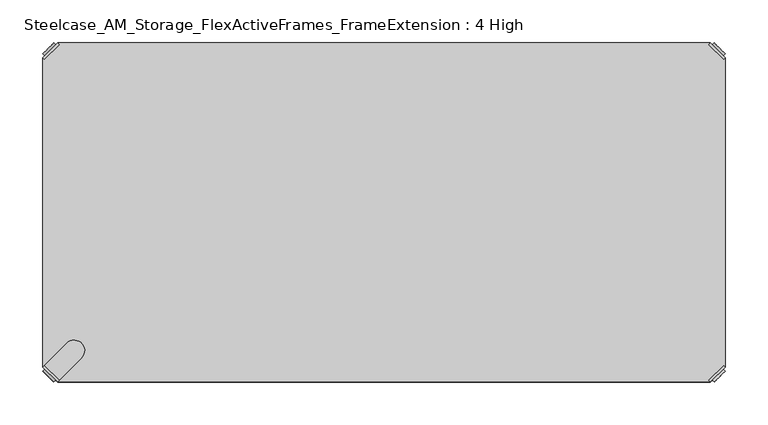
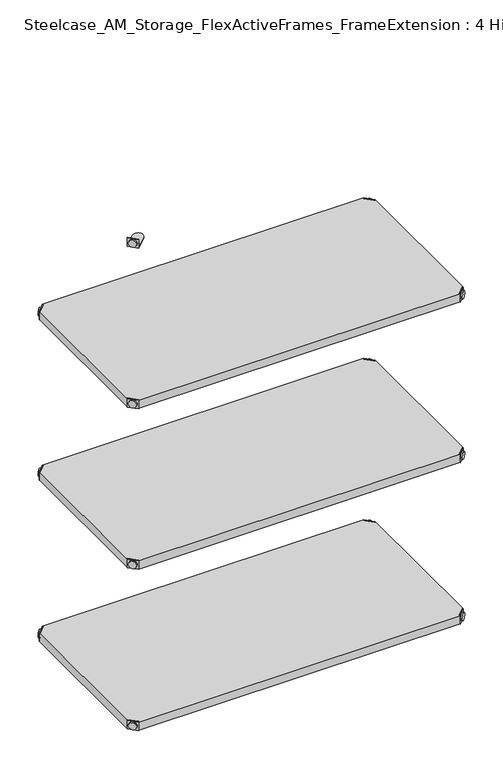
"""IFC4 building model written with IfcOpenShell, lengths in millimetres: furniture geometry, Steelcase_AM_Storage_FlexActiveFrames_FrameExtension : 4 High."""

from ifc_helpers import new_model, si_unit, frame, origin, place, context, project, spatial, polyline, circle_curve, outline, extrude, source, transform, mapped, element, save
from ifc_brep_helpers import plane_surface, cylinder_surface, advanced_brep


def steelcase_am_storage_flexactiveframes_frameextension_4_high_68e53432(model_context):
    return source(origin(), model_context, "Body", "SolidModel", [
        advanced_brep(
        [(2.54, -380.2870969, 1324.61), (19.7629031, -397.51, 1324.61), (21.5589544, -395.7139488, 1324.61), (4.3360512, -378.4910456, 1324.61), (2.54, -380.2870969, 1303.274), (19.7629031, -397.51, 1303.274), (4.8652723, -382.6123691, 1314.45), (17.4376309, -395.1847277, 1314.45), (30.2920522, -352.5350447, 1304.29), (4.3360512, -378.4910456, 1304.29), (21.5589544, -395.7139488, 1304.29), (47.5149553, -369.7579478, 1304.29), (30.2920522, -352.5350447, 1303.274), (47.5149553, -369.7579478, 1303.274), (15.1227513, -397.4996073, 1314.45), (2.5503927, -384.9272487, 1314.45)],
        [
            (0, 1),
            (1, 2),
            (2, 3),
            (3, 0),
            (0, 4),
            (4, 5),
            (5, 1),
            (6, 7, circle_curve(frame((11.1514516, -388.8985484, 1314.45), z_axis=(0.7071067811865446, 0.7071067811865505, 0.0), x_axis=(-0.7071067811865505, 0.7071067811865446, 0.0)), 8.89)),
            (7, 6, circle_curve(frame((11.1514516, -388.8985484, 1314.45), z_axis=(0.7071067811865446, 0.7071067811865505, 0.0), x_axis=(-0.7071067811865505, 0.7071067811865446, 0.0)), 8.89)),
            (8, 9),
            (9, 10),
            (10, 11),
            (11, 8, circle_curve(frame((38.9035037, -361.1464963, 1304.29), z_axis=(0.0, 0.0, 1.0), x_axis=(1.0, 0.0, 0.0)), 12.1784316)),
            (12, 13, circle_curve(frame((38.9035037, -361.1464963, 1303.274), z_axis=(0.0, 0.0, -1.0), x_axis=(1.0, 0.0, 0.0)), 12.1784316)),
            (13, 5),
            (4, 12),
            (14, 15, circle_curve(frame((8.836572, -391.213428, 1314.45), z_axis=(-0.7071067811865446, -0.7071067811865505, 0.0), x_axis=(-0.7071067811865505, 0.7071067811865446, 0.0)), 8.89)),
            (15, 14, circle_curve(frame((8.836572, -391.213428, 1314.45), z_axis=(-0.7071067811865446, -0.7071067811865505, 0.0), x_axis=(-0.7071067811865505, 0.7071067811865446, 0.0)), 8.89)),
            (15, 6),
            (7, 14),
            (2, 10),
            (9, 3),
            (11, 13),
            (12, 8),
        ],
        [
            plane_surface(frame((-19.6579872, -402.485084, 1324.61), z_axis=(0.0, 0.0, 1.0000000000000002), x_axis=(0.7071067811865436, 0.7071067811865516, 0.0))),
            plane_surface(frame((19.7629031, -397.51, 1324.61), z_axis=(-0.7071067811865447, -0.7071067811865503, 0.0), x_axis=(0.0, 0.0, -1.0))),
            plane_surface(frame((51.0819353, -361.1464963, 1304.29), z_axis=(0.0, 0.0, 1.0), x_axis=(0.0, -1.0, 0.0))),
            plane_surface(frame((51.0819353, -361.1464963, 1303.274), z_axis=(0.0, 0.0, -1.0), x_axis=(0.0, 1.0, 0.0))),
            plane_surface(frame((2.5503927, -384.9272487, 1314.45), z_axis=(-0.7071067811865446, -0.7071067811865505, 0.0), x_axis=(0.0, 0.0, 1.0))),
            cylinder_surface(frame((11.1514516, -388.8985484, 1314.45), z_axis=(-0.7071067811865446, -0.7071067811865505, 0.0), x_axis=(-0.7071067811865505, 0.7071067811865446, 0.0)), 8.89),
            plane_surface(frame((4.3360512, -378.4910456, 1324.61), z_axis=(0.7071067811865447, 0.7071067811865503, 0.0), x_axis=(0.0, 0.0, -1.0))),
            cylinder_surface(frame((38.9035037, -361.1464963, 1303.274), z_axis=(0.0, 0.0, 1.0), x_axis=(1.0, 0.0, 0.0)), 12.1784316),
            plane_surface(frame((2.54, -380.2870969, 1324.61), z_axis=(-0.7071067811865516, 0.7071067811865436, 0.0), x_axis=(0.0, 0.0, -1.0))),
            plane_surface(frame((21.5589544, -395.7139488, 1324.61), z_axis=(0.7071067811865513, -0.7071067811865437, 0.0), x_axis=(0.0, 0.0, -1.0))),
        ],
        [
            (0, [[1, 2, 3, 4]]),
            (1, [[5, 6, 7, -1], [8, 9]]),
            (2, [[10, 11, 12, 13]]),
            (3, [[14, 15, -6, 16]]),
            (4, [[17, 18]]),
            (5, [[19, -9, 20, -18]]),
            (5, [[-20, -8, -19, -17]]),
            (6, [[21, -11, 22, -3]]),
            (7, [[23, -14, 24, -13]]),
            (8, [[-22, -10, -24, -16, -5, -4]]),
            (9, [[-7, -15, -23, -12, -21, -2]]),
        ],
    ),
        advanced_brep(
        [(797.56, -380.2870969, 1324.61), (795.7639488, -378.4910456, 1324.61), (778.5410456, -395.7139488, 1324.61), (780.3370969, -397.51, 1324.61), (780.3370969, -397.51, 1303.274), (797.56, -380.2870969, 1303.274), (795.2347277, -382.6123691, 1314.45), (782.6623691, -395.1847277, 1314.45), (769.8079478, -352.5350447, 1304.29), (752.5850447, -369.7579478, 1304.29), (778.5410456, -395.7139488, 1304.29), (795.7639488, -378.4910456, 1304.29), (769.8079478, -352.5350447, 1303.274), (752.5850447, -369.7579478, 1303.274), (784.9772487, -397.4996073, 1314.45), (797.5496073, -384.9272487, 1314.45)],
        [
            (0, 1),
            (1, 2),
            (2, 3),
            (3, 0),
            (3, 4),
            (4, 5),
            (5, 0),
            (6, 7, circle_curve(frame((788.9485484, -388.8985484, 1314.45), z_axis=(-0.7071067811865446, 0.7071067811865505, 0.0), x_axis=(0.7071067811865505, 0.7071067811865446, 0.0)), 8.89)),
            (7, 6, circle_curve(frame((788.9485484, -388.8985484, 1314.45), z_axis=(-0.7071067811865446, 0.7071067811865505, 0.0), x_axis=(0.7071067811865505, 0.7071067811865446, 0.0)), 8.89)),
            (8, 9, circle_curve(frame((761.1964963, -361.1464963, 1304.29), z_axis=(0.0, 0.0, 1.0), x_axis=(-1.0, 0.0, 0.0)), 12.1784316)),
            (9, 10),
            (10, 11),
            (11, 8),
            (12, 5),
            (4, 13),
            (13, 12, circle_curve(frame((761.1964963, -361.1464963, 1303.274), z_axis=(0.0, 0.0, -1.0), x_axis=(-1.0, 0.0, 0.0)), 12.1784316)),
            (14, 15, circle_curve(frame((791.263428, -391.213428, 1314.45), z_axis=(0.7071067811865446, -0.7071067811865505, 0.0), x_axis=(0.7071067811865505, 0.7071067811865446, 0.0)), 8.89)),
            (15, 14, circle_curve(frame((791.263428, -391.213428, 1314.45), z_axis=(0.7071067811865446, -0.7071067811865505, 0.0), x_axis=(0.7071067811865505, 0.7071067811865446, 0.0)), 8.89)),
            (14, 7),
            (6, 15),
            (1, 11),
            (10, 2),
            (8, 12),
            (13, 9),
        ],
        [
            plane_surface(frame((819.7579872, -402.485084, 1324.61), z_axis=(0.0, 0.0, 1.0000000000000002), x_axis=(-0.7071067811865436, 0.7071067811865516, 0.0))),
            plane_surface(frame((780.3370969, -397.51, 1324.61), z_axis=(0.7071067811865447, -0.7071067811865503, 0.0), x_axis=(0.0, 0.0, -1.0))),
            plane_surface(frame((749.0180647, -361.1464963, 1304.29), z_axis=(0.0, 0.0, 1.0), x_axis=(0.0, -1.0, 0.0))),
            plane_surface(frame((749.0180647, -361.1464963, 1303.274), z_axis=(0.0, 0.0, -1.0), x_axis=(0.0, 1.0, 0.0))),
            plane_surface(frame((797.5496073, -384.9272487, 1314.45), z_axis=(0.7071067811865446, -0.7071067811865505, 0.0), x_axis=(0.0, 0.0, 1.0))),
            cylinder_surface(frame((788.9485484, -388.8985484, 1314.45), z_axis=(0.7071067811865446, -0.7071067811865505, 0.0), x_axis=(0.7071067811865505, 0.7071067811865446, 0.0)), 8.89),
            plane_surface(frame((795.7639488, -378.4910456, 1324.61), z_axis=(-0.7071067811865447, 0.7071067811865503, 0.0), x_axis=(0.0, 0.0, -1.0))),
            cylinder_surface(frame((761.1964963, -361.1464963, 1303.274), z_axis=(0.0, 0.0, 1.0), x_axis=(-1.0, 0.0, 0.0)), 12.1784316),
            plane_surface(frame((797.56, -380.2870969, 1324.61), z_axis=(0.7071067811865516, 0.7071067811865436, 0.0), x_axis=(0.0, 0.0, -1.0))),
            plane_surface(frame((778.5410456, -395.7139488, 1324.61), z_axis=(-0.7071067811865513, -0.7071067811865437, 0.0), x_axis=(0.0, 0.0, -1.0))),
        ],
        [
            (0, [[1, 2, 3, 4]]),
            (1, [[-4, 5, 6, 7], [8, 9]]),
            (2, [[10, 11, 12, 13]]),
            (3, [[14, -6, 15, 16]]),
            (4, [[17, 18]]),
            (5, [[-17, 19, -8, 20]]),
            (5, [[-18, -20, -9, -19]]),
            (6, [[-2, 21, -12, 22]]),
            (7, [[-10, 23, -16, 24]]),
            (8, [[-1, -7, -14, -23, -13, -21]]),
            (9, [[-3, -22, -11, -24, -15, -5]]),
        ],
    ),
        advanced_brep(
        [(797.56, -19.7629031, 1324.61), (780.3370969, -2.54, 1324.61), (778.5410456, -4.3360512, 1324.61), (795.7639488, -21.5589544, 1324.61), (797.56, -19.7629031, 1303.274), (780.3370969, -2.54, 1303.274), (795.2347277, -17.4376309, 1314.45), (782.6623691, -4.8652723, 1314.45), (769.8079478, -47.5149553, 1304.29), (795.7639488, -21.5589544, 1304.29), (778.5410456, -4.3360512, 1304.29), (752.5850447, -30.2920522, 1304.29), (769.8079478, -47.5149553, 1303.274), (752.5850447, -30.2920522, 1303.274), (784.9772487, -2.5503927, 1314.45), (797.5496073, -15.1227513, 1314.45)],
        [
            (0, 1),
            (1, 2),
            (2, 3),
            (3, 0),
            (0, 4),
            (4, 5),
            (5, 1),
            (6, 7, circle_curve(frame((788.9485484, -11.1514516, 1314.45), z_axis=(-0.7071067811865469, -0.7071067811865481, 0.0), x_axis=(0.7071067811865481, -0.7071067811865469, 0.0)), 8.89)),
            (7, 6, circle_curve(frame((788.9485484, -11.1514516, 1314.45), z_axis=(-0.7071067811865469, -0.7071067811865481, 0.0), x_axis=(0.7071067811865481, -0.7071067811865469, 0.0)), 8.89)),
            (8, 9),
            (9, 10),
            (10, 11),
            (11, 8, circle_curve(frame((761.1964963, -38.9035037, 1304.29), z_axis=(0.0, 0.0, 1.0), x_axis=(-1.0, 0.0, 0.0)), 12.1784316)),
            (12, 13, circle_curve(frame((761.1964963, -38.9035037, 1303.274), z_axis=(0.0, 0.0, -1.0), x_axis=(-1.0, 0.0, 0.0)), 12.1784316)),
            (13, 5),
            (4, 12),
            (14, 15, circle_curve(frame((791.263428, -8.836572, 1314.45), z_axis=(0.7071067811865469, 0.7071067811865481, 0.0), x_axis=(0.7071067811865481, -0.7071067811865469, 0.0)), 8.89)),
            (15, 14, circle_curve(frame((791.263428, -8.836572, 1314.45), z_axis=(0.7071067811865469, 0.7071067811865481, 0.0), x_axis=(0.7071067811865481, -0.7071067811865469, 0.0)), 8.89)),
            (15, 6),
            (7, 14),
            (2, 10),
            (9, 3),
            (11, 13),
            (12, 8),
        ],
        [
            plane_surface(frame((819.7579872, 2.435084, 1324.61), z_axis=(0.0, 0.0, 1.0000000000000002), x_axis=(-0.7071067811865459, -0.7071067811865492, 0.0))),
            plane_surface(frame((780.3370969, -2.54, 1324.61), z_axis=(0.707106781186547, 0.707106781186548, 0.0), x_axis=(0.0, 0.0, -1.0))),
            plane_surface(frame((749.0180647, -38.9035037, 1304.29), z_axis=(0.0, 0.0, 1.0), x_axis=(0.0, 1.0, 0.0))),
            plane_surface(frame((749.0180647, -38.9035037, 1303.274), z_axis=(0.0, 0.0, -1.0), x_axis=(0.0, -1.0, 0.0))),
            plane_surface(frame((797.5496073, -15.1227513, 1314.45), z_axis=(0.7071067811865469, 0.7071067811865481, 0.0), x_axis=(0.0, 0.0, 1.0))),
            cylinder_surface(frame((788.9485484, -11.1514516, 1314.45), z_axis=(0.7071067811865469, 0.7071067811865481, 0.0), x_axis=(0.7071067811865481, -0.7071067811865469, 0.0)), 8.89),
            plane_surface(frame((795.7639488, -21.5589544, 1324.61), z_axis=(-0.707106781186547, -0.707106781186548, 0.0), x_axis=(0.0, 0.0, -1.0))),
            cylinder_surface(frame((761.1964963, -38.9035037, 1303.274), z_axis=(0.0, 0.0, 1.0), x_axis=(-1.0, 0.0, 0.0)), 12.1784316),
            plane_surface(frame((797.56, -19.7629031, 1324.61), z_axis=(0.7071067811865492, -0.7071067811865459, 0.0), x_axis=(0.0, 0.0, -1.0))),
            plane_surface(frame((778.5410456, -4.3360512, 1324.61), z_axis=(-0.707106781186549, 0.707106781186546, 0.0), x_axis=(0.0, 0.0, -1.0))),
        ],
        [
            (0, [[1, 2, 3, 4]]),
            (1, [[5, 6, 7, -1], [8, 9]]),
            (2, [[10, 11, 12, 13]]),
            (3, [[14, 15, -6, 16]]),
            (4, [[17, 18]]),
            (5, [[19, -9, 20, -18]]),
            (5, [[-20, -8, -19, -17]]),
            (6, [[21, -11, 22, -3]]),
            (7, [[23, -14, 24, -13]]),
            (8, [[-22, -10, -24, -16, -5, -4]]),
            (9, [[-7, -15, -23, -12, -21, -2]]),
        ],
    ),
        advanced_brep(
        [(2.54, -19.7629031, 1324.61), (4.3360512, -21.5589544, 1324.61), (21.5589544, -4.3360512, 1324.61), (19.7629031, -2.54, 1324.61), (19.7629031, -2.54, 1303.274), (2.54, -19.7629031, 1303.274), (4.8652723, -17.4376309, 1314.45), (17.4376309, -4.8652723, 1314.45), (30.2920522, -47.5149553, 1304.29), (47.5149553, -30.2920522, 1304.29), (21.5589544, -4.3360512, 1304.29), (4.3360512, -21.5589544, 1304.29), (30.2920522, -47.5149553, 1303.274), (47.5149553, -30.2920522, 1303.274), (15.1227513, -2.5503927, 1314.45), (2.5503927, -15.1227513, 1314.45)],
        [
            (0, 1),
            (1, 2),
            (2, 3),
            (3, 0),
            (3, 4),
            (4, 5),
            (5, 0),
            (6, 7, circle_curve(frame((11.1514516, -11.1514516, 1314.45), z_axis=(0.7071067811865469, -0.7071067811865481, 0.0), x_axis=(-0.7071067811865481, -0.7071067811865469, 0.0)), 8.89)),
            (7, 6, circle_curve(frame((11.1514516, -11.1514516, 1314.45), z_axis=(0.7071067811865469, -0.7071067811865481, 0.0), x_axis=(-0.7071067811865481, -0.7071067811865469, 0.0)), 8.89)),
            (8, 9, circle_curve(frame((38.9035037, -38.9035037, 1304.29), z_axis=(0.0, 0.0, 1.0), x_axis=(1.0, 0.0, 0.0)), 12.1784316)),
            (9, 10),
            (10, 11),
            (11, 8),
            (12, 5),
            (4, 13),
            (13, 12, circle_curve(frame((38.9035037, -38.9035037, 1303.274), z_axis=(0.0, 0.0, -1.0), x_axis=(1.0, 0.0, 0.0)), 12.1784316)),
            (14, 15, circle_curve(frame((8.836572, -8.836572, 1314.45), z_axis=(-0.7071067811865469, 0.7071067811865481, 0.0), x_axis=(-0.7071067811865481, -0.7071067811865469, 0.0)), 8.89)),
            (15, 14, circle_curve(frame((8.836572, -8.836572, 1314.45), z_axis=(-0.7071067811865469, 0.7071067811865481, 0.0), x_axis=(-0.7071067811865481, -0.7071067811865469, 0.0)), 8.89)),
            (14, 7),
            (6, 15),
            (1, 11),
            (10, 2),
            (8, 12),
            (13, 9),
        ],
        [
            plane_surface(frame((-19.6579872, 2.435084, 1324.61), z_axis=(0.0, 0.0, 1.0000000000000002), x_axis=(0.7071067811865459, -0.7071067811865492, 0.0))),
            plane_surface(frame((19.7629031, -2.54, 1324.61), z_axis=(-0.707106781186547, 0.707106781186548, 0.0), x_axis=(0.0, 0.0, -1.0))),
            plane_surface(frame((51.0819353, -38.9035037, 1304.29), z_axis=(0.0, 0.0, 1.0), x_axis=(0.0, 1.0, 0.0))),
            plane_surface(frame((51.0819353, -38.9035037, 1303.274), z_axis=(0.0, 0.0, -1.0), x_axis=(0.0, -1.0, 0.0))),
            plane_surface(frame((2.5503927, -15.1227513, 1314.45), z_axis=(-0.7071067811865469, 0.7071067811865481, 0.0), x_axis=(0.0, 0.0, 1.0))),
            cylinder_surface(frame((11.1514516, -11.1514516, 1314.45), z_axis=(-0.7071067811865469, 0.7071067811865481, 0.0), x_axis=(-0.7071067811865481, -0.7071067811865469, 0.0)), 8.89),
            plane_surface(frame((4.3360512, -21.5589544, 1324.61), z_axis=(0.707106781186547, -0.707106781186548, 0.0), x_axis=(0.0, 0.0, -1.0))),
            cylinder_surface(frame((38.9035037, -38.9035037, 1303.274), z_axis=(0.0, 0.0, 1.0), x_axis=(1.0, 0.0, 0.0)), 12.1784316),
            plane_surface(frame((2.54, -19.7629031, 1324.61), z_axis=(-0.7071067811865492, -0.7071067811865459, 0.0), x_axis=(0.0, 0.0, -1.0))),
            plane_surface(frame((21.5589544, -4.3360512, 1324.61), z_axis=(0.707106781186549, 0.707106781186546, 0.0), x_axis=(0.0, 0.0, -1.0))),
        ],
        [
            (0, [[1, 2, 3, 4]]),
            (1, [[-4, 5, 6, 7], [8, 9]]),
            (2, [[10, 11, 12, 13]]),
            (3, [[14, -6, 15, 16]]),
            (4, [[17, 18]]),
            (5, [[-17, 19, -8, 20]]),
            (5, [[-18, -20, -9, -19]]),
            (6, [[-2, 21, -12, 22]]),
            (7, [[-10, 23, -16, 24]]),
            (8, [[-1, -7, -14, -23, -13, -21]]),
            (9, [[-3, -22, -11, -24, -15, -5]]),
        ],
    ),
        extrude(outline(polyline([(19.7629031, -2.54), (780.3370969, -2.54), (778.5410456, -4.3360512), (795.7639488, -21.5589544), (797.56, -19.7629031), (797.56, -380.2870969), (795.7639488, -378.4910456), (778.5410456, -395.7139488), (780.3370969, -397.51), (19.7629031, -397.51), (21.5589544, -395.7139488), (4.3360512, -378.4910456), (2.54, -380.2870969), (2.54, -19.7629031), (4.3360512, -21.5589544), (21.5589544, -4.3360512), (19.7629031, -2.54)])), frame((0.0, 0.0, 1304.29), z_axis=(0.0, 0.0, 1.0), x_axis=(1.0, 0.0, 0.0)), (0.0, 0.0, 1.0), 20.32),
        advanced_brep(
        [(2.54, -380.2870969, 923.29), (19.7629031, -397.51, 923.29), (21.5589544, -395.7139488, 923.29), (4.3360512, -378.4910456, 923.29), (2.54, -380.2870969, 901.954), (19.7629031, -397.51, 901.954), (4.8652723, -382.6123691, 913.13), (17.4376309, -395.1847277, 913.13), (30.2920522, -352.5350447, 902.97), (4.3360512, -378.4910456, 902.97), (21.5589544, -395.7139488, 902.97), (47.5149553, -369.7579478, 902.97), (30.2920522, -352.5350447, 901.954), (47.5149553, -369.7579478, 901.954), (15.1227513, -397.4996073, 913.13), (2.5503927, -384.9272487, 913.13)],
        [
            (0, 1),
            (1, 2),
            (2, 3),
            (3, 0),
            (0, 4),
            (4, 5),
            (5, 1),
            (6, 7, circle_curve(frame((11.1514516, -388.8985484, 913.13), z_axis=(0.7071067811865446, 0.7071067811865505, 0.0), x_axis=(-0.7071067811865505, 0.7071067811865446, 0.0)), 8.89)),
            (7, 6, circle_curve(frame((11.1514516, -388.8985484, 913.13), z_axis=(0.7071067811865446, 0.7071067811865505, 0.0), x_axis=(-0.7071067811865505, 0.7071067811865446, 0.0)), 8.89)),
            (8, 9),
            (9, 10),
            (10, 11),
            (11, 8, circle_curve(frame((38.9035037, -361.1464963, 902.97), z_axis=(0.0, 0.0, 1.0), x_axis=(1.0, 0.0, 0.0)), 12.1784316)),
            (12, 13, circle_curve(frame((38.9035037, -361.1464963, 901.954), z_axis=(0.0, 0.0, -1.0), x_axis=(1.0, 0.0, 0.0)), 12.1784316)),
            (13, 5),
            (4, 12),
            (14, 15, circle_curve(frame((8.836572, -391.213428, 913.13), z_axis=(-0.7071067811865446, -0.7071067811865505, 0.0), x_axis=(-0.7071067811865505, 0.7071067811865446, 0.0)), 8.89)),
            (15, 14, circle_curve(frame((8.836572, -391.213428, 913.13), z_axis=(-0.7071067811865446, -0.7071067811865505, 0.0), x_axis=(-0.7071067811865505, 0.7071067811865446, 0.0)), 8.89)),
            (15, 6),
            (7, 14),
            (2, 10),
            (9, 3),
            (11, 13),
            (12, 8),
        ],
        [
            plane_surface(frame((-19.6579872, -402.485084, 923.29), z_axis=(0.0, 0.0, 1.0000000000000002), x_axis=(0.7071067811865436, 0.7071067811865516, 0.0))),
            plane_surface(frame((19.7629031, -397.51, 923.29), z_axis=(-0.7071067811865447, -0.7071067811865503, 0.0), x_axis=(0.0, 0.0, -1.0))),
            plane_surface(frame((51.0819353, -361.1464963, 902.97), z_axis=(0.0, 0.0, 1.0), x_axis=(0.0, -1.0, 0.0))),
            plane_surface(frame((51.0819353, -361.1464963, 901.954), z_axis=(0.0, 0.0, -1.0), x_axis=(0.0, 1.0, 0.0))),
            plane_surface(frame((2.5503927, -384.9272487, 913.13), z_axis=(-0.7071067811865446, -0.7071067811865505, 0.0), x_axis=(0.0, 0.0, 1.0))),
            cylinder_surface(frame((11.1514516, -388.8985484, 913.13), z_axis=(-0.7071067811865446, -0.7071067811865505, 0.0), x_axis=(-0.7071067811865505, 0.7071067811865446, 0.0)), 8.89),
            plane_surface(frame((4.3360512, -378.4910456, 923.29), z_axis=(0.7071067811865447, 0.7071067811865503, 0.0), x_axis=(0.0, 0.0, -1.0))),
            cylinder_surface(frame((38.9035037, -361.1464963, 901.954), z_axis=(0.0, 0.0, 1.0), x_axis=(1.0, 0.0, 0.0)), 12.1784316),
            plane_surface(frame((2.54, -380.2870969, 923.29), z_axis=(-0.7071067811865516, 0.7071067811865436, 0.0), x_axis=(0.0, 0.0, -1.0))),
            plane_surface(frame((21.5589544, -395.7139488, 923.29), z_axis=(0.7071067811865513, -0.7071067811865437, 0.0), x_axis=(0.0, 0.0, -1.0))),
        ],
        [
            (0, [[1, 2, 3, 4]]),
            (1, [[5, 6, 7, -1], [8, 9]]),
            (2, [[10, 11, 12, 13]]),
            (3, [[14, 15, -6, 16]]),
            (4, [[17, 18]]),
            (5, [[19, -9, 20, -18]]),
            (5, [[-20, -8, -19, -17]]),
            (6, [[21, -11, 22, -3]]),
            (7, [[23, -14, 24, -13]]),
            (8, [[-22, -10, -24, -16, -5, -4]]),
            (9, [[-7, -15, -23, -12, -21, -2]]),
        ],
    ),
        advanced_brep(
        [(797.56, -380.2870969, 923.29), (795.7639488, -378.4910456, 923.29), (778.5410456, -395.7139488, 923.29), (780.3370969, -397.51, 923.29), (780.3370969, -397.51, 901.954), (797.56, -380.2870969, 901.954), (795.2347277, -382.6123691, 913.13), (782.6623691, -395.1847277, 913.13), (769.8079478, -352.5350447, 902.97), (752.5850447, -369.7579478, 902.97), (778.5410456, -395.7139488, 902.97), (795.7639488, -378.4910456, 902.97), (769.8079478, -352.5350447, 901.954), (752.5850447, -369.7579478, 901.954), (784.9772487, -397.4996073, 913.13), (797.5496073, -384.9272487, 913.13)],
        [
            (0, 1),
            (1, 2),
            (2, 3),
            (3, 0),
            (3, 4),
            (4, 5),
            (5, 0),
            (6, 7, circle_curve(frame((788.9485484, -388.8985484, 913.13), z_axis=(-0.7071067811865446, 0.7071067811865505, 0.0), x_axis=(0.7071067811865505, 0.7071067811865446, 0.0)), 8.89)),
            (7, 6, circle_curve(frame((788.9485484, -388.8985484, 913.13), z_axis=(-0.7071067811865446, 0.7071067811865505, 0.0), x_axis=(0.7071067811865505, 0.7071067811865446, 0.0)), 8.89)),
            (8, 9, circle_curve(frame((761.1964963, -361.1464963, 902.97), z_axis=(0.0, 0.0, 1.0), x_axis=(-1.0, 0.0, 0.0)), 12.1784316)),
            (9, 10),
            (10, 11),
            (11, 8),
            (12, 5),
            (4, 13),
            (13, 12, circle_curve(frame((761.1964963, -361.1464963, 901.954), z_axis=(0.0, 0.0, -1.0), x_axis=(-1.0, 0.0, 0.0)), 12.1784316)),
            (14, 15, circle_curve(frame((791.263428, -391.213428, 913.13), z_axis=(0.7071067811865446, -0.7071067811865505, 0.0), x_axis=(0.7071067811865505, 0.7071067811865446, 0.0)), 8.89)),
            (15, 14, circle_curve(frame((791.263428, -391.213428, 913.13), z_axis=(0.7071067811865446, -0.7071067811865505, 0.0), x_axis=(0.7071067811865505, 0.7071067811865446, 0.0)), 8.89)),
            (14, 7),
            (6, 15),
            (1, 11),
            (10, 2),
            (8, 12),
            (13, 9),
        ],
        [
            plane_surface(frame((819.7579872, -402.485084, 923.29), z_axis=(0.0, 0.0, 1.0000000000000002), x_axis=(-0.7071067811865436, 0.7071067811865516, 0.0))),
            plane_surface(frame((780.3370969, -397.51, 923.29), z_axis=(0.7071067811865447, -0.7071067811865503, 0.0), x_axis=(0.0, 0.0, -1.0))),
            plane_surface(frame((749.0180647, -361.1464963, 902.97), z_axis=(0.0, 0.0, 1.0), x_axis=(0.0, -1.0, 0.0))),
            plane_surface(frame((749.0180647, -361.1464963, 901.954), z_axis=(0.0, 0.0, -1.0), x_axis=(0.0, 1.0, 0.0))),
            plane_surface(frame((797.5496073, -384.9272487, 913.13), z_axis=(0.7071067811865446, -0.7071067811865505, 0.0), x_axis=(0.0, 0.0, 1.0))),
            cylinder_surface(frame((788.9485484, -388.8985484, 913.13), z_axis=(0.7071067811865446, -0.7071067811865505, 0.0), x_axis=(0.7071067811865505, 0.7071067811865446, 0.0)), 8.89),
            plane_surface(frame((795.7639488, -378.4910456, 923.29), z_axis=(-0.7071067811865447, 0.7071067811865503, 0.0), x_axis=(0.0, 0.0, -1.0))),
            cylinder_surface(frame((761.1964963, -361.1464963, 901.954), z_axis=(0.0, 0.0, 1.0), x_axis=(-1.0, 0.0, 0.0)), 12.1784316),
            plane_surface(frame((797.56, -380.2870969, 923.29), z_axis=(0.7071067811865516, 0.7071067811865436, 0.0), x_axis=(0.0, 0.0, -1.0))),
            plane_surface(frame((778.5410456, -395.7139488, 923.29), z_axis=(-0.7071067811865513, -0.7071067811865437, 0.0), x_axis=(0.0, 0.0, -1.0))),
        ],
        [
            (0, [[1, 2, 3, 4]]),
            (1, [[-4, 5, 6, 7], [8, 9]]),
            (2, [[10, 11, 12, 13]]),
            (3, [[14, -6, 15, 16]]),
            (4, [[17, 18]]),
            (5, [[-17, 19, -8, 20]]),
            (5, [[-18, -20, -9, -19]]),
            (6, [[-2, 21, -12, 22]]),
            (7, [[-10, 23, -16, 24]]),
            (8, [[-1, -7, -14, -23, -13, -21]]),
            (9, [[-3, -22, -11, -24, -15, -5]]),
        ],
    ),
        advanced_brep(
        [(797.56, -19.7629031, 923.29), (780.3370969, -2.54, 923.29), (778.5410456, -4.3360512, 923.29), (795.7639488, -21.5589544, 923.29), (797.56, -19.7629031, 901.954), (780.3370969, -2.54, 901.954), (795.2347277, -17.4376309, 913.13), (782.6623691, -4.8652723, 913.13), (769.8079478, -47.5149553, 902.97), (795.7639488, -21.5589544, 902.97), (778.5410456, -4.3360512, 902.97), (752.5850447, -30.2920522, 902.97), (769.8079478, -47.5149553, 901.954), (752.5850447, -30.2920522, 901.954), (784.9772487, -2.5503927, 913.13), (797.5496073, -15.1227513, 913.13)],
        [
            (0, 1),
            (1, 2),
            (2, 3),
            (3, 0),
            (0, 4),
            (4, 5),
            (5, 1),
            (6, 7, circle_curve(frame((788.9485484, -11.1514516, 913.13), z_axis=(-0.7071067811865469, -0.7071067811865481, 0.0), x_axis=(0.7071067811865481, -0.7071067811865469, 0.0)), 8.89)),
            (7, 6, circle_curve(frame((788.9485484, -11.1514516, 913.13), z_axis=(-0.7071067811865469, -0.7071067811865481, 0.0), x_axis=(0.7071067811865481, -0.7071067811865469, 0.0)), 8.89)),
            (8, 9),
            (9, 10),
            (10, 11),
            (11, 8, circle_curve(frame((761.1964963, -38.9035037, 902.97), z_axis=(0.0, 0.0, 1.0), x_axis=(-1.0, 0.0, 0.0)), 12.1784316)),
            (12, 13, circle_curve(frame((761.1964963, -38.9035037, 901.954), z_axis=(0.0, 0.0, -1.0), x_axis=(-1.0, 0.0, 0.0)), 12.1784316)),
            (13, 5),
            (4, 12),
            (14, 15, circle_curve(frame((791.263428, -8.836572, 913.13), z_axis=(0.7071067811865469, 0.7071067811865481, 0.0), x_axis=(0.7071067811865481, -0.7071067811865469, 0.0)), 8.89)),
            (15, 14, circle_curve(frame((791.263428, -8.836572, 913.13), z_axis=(0.7071067811865469, 0.7071067811865481, 0.0), x_axis=(0.7071067811865481, -0.7071067811865469, 0.0)), 8.89)),
            (15, 6),
            (7, 14),
            (2, 10),
            (9, 3),
            (11, 13),
            (12, 8),
        ],
        [
            plane_surface(frame((819.7579872, 2.435084, 923.29), z_axis=(0.0, 0.0, 1.0000000000000002), x_axis=(-0.7071067811865459, -0.7071067811865492, 0.0))),
            plane_surface(frame((780.3370969, -2.54, 923.29), z_axis=(0.707106781186547, 0.707106781186548, 0.0), x_axis=(0.0, 0.0, -1.0))),
            plane_surface(frame((749.0180647, -38.9035037, 902.97), z_axis=(0.0, 0.0, 1.0), x_axis=(0.0, 1.0, 0.0))),
            plane_surface(frame((749.0180647, -38.9035037, 901.954), z_axis=(0.0, 0.0, -1.0), x_axis=(0.0, -1.0, 0.0))),
            plane_surface(frame((797.5496073, -15.1227513, 913.13), z_axis=(0.7071067811865469, 0.7071067811865481, 0.0), x_axis=(0.0, 0.0, 1.0))),
            cylinder_surface(frame((788.9485484, -11.1514516, 913.13), z_axis=(0.7071067811865469, 0.7071067811865481, 0.0), x_axis=(0.7071067811865481, -0.7071067811865469, 0.0)), 8.89),
            plane_surface(frame((795.7639488, -21.5589544, 923.29), z_axis=(-0.707106781186547, -0.707106781186548, 0.0), x_axis=(0.0, 0.0, -1.0))),
            cylinder_surface(frame((761.1964963, -38.9035037, 901.954), z_axis=(0.0, 0.0, 1.0), x_axis=(-1.0, 0.0, 0.0)), 12.1784316),
            plane_surface(frame((797.56, -19.7629031, 923.29), z_axis=(0.7071067811865492, -0.7071067811865459, 0.0), x_axis=(0.0, 0.0, -1.0))),
            plane_surface(frame((778.5410456, -4.3360512, 923.29), z_axis=(-0.707106781186549, 0.707106781186546, 0.0), x_axis=(0.0, 0.0, -1.0))),
        ],
        [
            (0, [[1, 2, 3, 4]]),
            (1, [[5, 6, 7, -1], [8, 9]]),
            (2, [[10, 11, 12, 13]]),
            (3, [[14, 15, -6, 16]]),
            (4, [[17, 18]]),
            (5, [[19, -9, 20, -18]]),
            (5, [[-20, -8, -19, -17]]),
            (6, [[21, -11, 22, -3]]),
            (7, [[23, -14, 24, -13]]),
            (8, [[-22, -10, -24, -16, -5, -4]]),
            (9, [[-7, -15, -23, -12, -21, -2]]),
        ],
    ),
        advanced_brep(
        [(2.54, -19.7629031, 923.29), (4.3360512, -21.5589544, 923.29), (21.5589544, -4.3360512, 923.29), (19.7629031, -2.54, 923.29), (19.7629031, -2.54, 901.954), (2.54, -19.7629031, 901.954), (4.8652723, -17.4376309, 913.13), (17.4376309, -4.8652723, 913.13), (30.2920522, -47.5149553, 902.97), (47.5149553, -30.2920522, 902.97), (21.5589544, -4.3360512, 902.97), (4.3360512, -21.5589544, 902.97), (30.2920522, -47.5149553, 901.954), (47.5149553, -30.2920522, 901.954), (15.1227513, -2.5503927, 913.13), (2.5503927, -15.1227513, 913.13)],
        [
            (0, 1),
            (1, 2),
            (2, 3),
            (3, 0),
            (3, 4),
            (4, 5),
            (5, 0),
            (6, 7, circle_curve(frame((11.1514516, -11.1514516, 913.13), z_axis=(0.7071067811865469, -0.7071067811865481, 0.0), x_axis=(-0.7071067811865481, -0.7071067811865469, 0.0)), 8.89)),
            (7, 6, circle_curve(frame((11.1514516, -11.1514516, 913.13), z_axis=(0.7071067811865469, -0.7071067811865481, 0.0), x_axis=(-0.7071067811865481, -0.7071067811865469, 0.0)), 8.89)),
            (8, 9, circle_curve(frame((38.9035037, -38.9035037, 902.97), z_axis=(0.0, 0.0, 1.0), x_axis=(1.0, 0.0, 0.0)), 12.1784316)),
            (9, 10),
            (10, 11),
            (11, 8),
            (12, 5),
            (4, 13),
            (13, 12, circle_curve(frame((38.9035037, -38.9035037, 901.954), z_axis=(0.0, 0.0, -1.0), x_axis=(1.0, 0.0, 0.0)), 12.1784316)),
            (14, 15, circle_curve(frame((8.836572, -8.836572, 913.13), z_axis=(-0.7071067811865469, 0.7071067811865481, 0.0), x_axis=(-0.7071067811865481, -0.7071067811865469, 0.0)), 8.89)),
            (15, 14, circle_curve(frame((8.836572, -8.836572, 913.13), z_axis=(-0.7071067811865469, 0.7071067811865481, 0.0), x_axis=(-0.7071067811865481, -0.7071067811865469, 0.0)), 8.89)),
            (14, 7),
            (6, 15),
            (1, 11),
            (10, 2),
            (8, 12),
            (13, 9),
        ],
        [
            plane_surface(frame((-19.6579872, 2.435084, 923.29), z_axis=(0.0, 0.0, 1.0000000000000002), x_axis=(0.7071067811865459, -0.7071067811865492, 0.0))),
            plane_surface(frame((19.7629031, -2.54, 923.29), z_axis=(-0.707106781186547, 0.707106781186548, 0.0), x_axis=(0.0, 0.0, -1.0))),
            plane_surface(frame((51.0819353, -38.9035037, 902.97), z_axis=(0.0, 0.0, 1.0), x_axis=(0.0, 1.0, 0.0))),
            plane_surface(frame((51.0819353, -38.9035037, 901.954), z_axis=(0.0, 0.0, -1.0), x_axis=(0.0, -1.0, 0.0))),
            plane_surface(frame((2.5503927, -15.1227513, 913.13), z_axis=(-0.7071067811865469, 0.7071067811865481, 0.0), x_axis=(0.0, 0.0, 1.0))),
            cylinder_surface(frame((11.1514516, -11.1514516, 913.13), z_axis=(-0.7071067811865469, 0.7071067811865481, 0.0), x_axis=(-0.7071067811865481, -0.7071067811865469, 0.0)), 8.89),
            plane_surface(frame((4.3360512, -21.5589544, 923.29), z_axis=(0.707106781186547, -0.707106781186548, 0.0), x_axis=(0.0, 0.0, -1.0))),
            cylinder_surface(frame((38.9035037, -38.9035037, 901.954), z_axis=(0.0, 0.0, 1.0), x_axis=(1.0, 0.0, 0.0)), 12.1784316),
            plane_surface(frame((2.54, -19.7629031, 923.29), z_axis=(-0.7071067811865492, -0.7071067811865459, 0.0), x_axis=(0.0, 0.0, -1.0))),
            plane_surface(frame((21.5589544, -4.3360512, 923.29), z_axis=(0.707106781186549, 0.707106781186546, 0.0), x_axis=(0.0, 0.0, -1.0))),
        ],
        [
            (0, [[1, 2, 3, 4]]),
            (1, [[-4, 5, 6, 7], [8, 9]]),
            (2, [[10, 11, 12, 13]]),
            (3, [[14, -6, 15, 16]]),
            (4, [[17, 18]]),
            (5, [[-17, 19, -8, 20]]),
            (5, [[-18, -20, -9, -19]]),
            (6, [[-2, 21, -12, 22]]),
            (7, [[-10, 23, -16, 24]]),
            (8, [[-1, -7, -14, -23, -13, -21]]),
            (9, [[-3, -22, -11, -24, -15, -5]]),
        ],
    ),
        extrude(outline(polyline([(19.7629031, -2.54), (780.3370969, -2.54), (778.5410456, -4.3360512), (795.7639488, -21.5589544), (797.56, -19.7629031), (797.56, -380.2870969), (795.7639488, -378.4910456), (778.5410456, -395.7139488), (780.3370969, -397.51), (19.7629031, -397.51), (21.5589544, -395.7139488), (4.3360512, -378.4910456), (2.54, -380.2870969), (2.54, -19.7629031), (4.3360512, -21.5589544), (21.5589544, -4.3360512), (19.7629031, -2.54)])), frame((0.0, 0.0, 902.97), z_axis=(0.0, 0.0, 1.0), x_axis=(1.0, 0.0, 0.0)), (0.0, 0.0, 1.0), 20.32),
        advanced_brep(
        [(2.54, -380.2870969, 520.2936), (19.7629031, -397.51, 520.2936), (21.5589544, -395.7139488, 520.2936), (4.3360512, -378.4910456, 520.2936), (2.54, -380.2870969, 498.9576), (19.7629031, -397.51, 498.9576), (4.8652723, -382.6123691, 510.1336), (17.4376309, -395.1847277, 510.1336), (30.2920522, -352.5350447, 499.9736), (4.3360512, -378.4910456, 499.9736), (21.5589544, -395.7139488, 499.9736), (47.5149553, -369.7579478, 499.9736), (30.2920522, -352.5350447, 498.9576), (47.5149553, -369.7579478, 498.9576), (15.1227513, -397.4996073, 510.1336), (2.5503927, -384.9272487, 510.1336)],
        [
            (0, 1),
            (1, 2),
            (2, 3),
            (3, 0),
            (0, 4),
            (4, 5),
            (5, 1),
            (6, 7, circle_curve(frame((11.1514516, -388.8985484, 510.1336), z_axis=(0.7071067811865446, 0.7071067811865505, 0.0), x_axis=(-0.7071067811865505, 0.7071067811865446, 0.0)), 8.89)),
            (7, 6, circle_curve(frame((11.1514516, -388.8985484, 510.1336), z_axis=(0.7071067811865446, 0.7071067811865505, 0.0), x_axis=(-0.7071067811865505, 0.7071067811865446, 0.0)), 8.89)),
            (8, 9),
            (9, 10),
            (10, 11),
            (11, 8, circle_curve(frame((38.9035037, -361.1464963, 499.9736), z_axis=(0.0, 0.0, 1.0), x_axis=(1.0, 0.0, 0.0)), 12.1784316)),
            (12, 13, circle_curve(frame((38.9035037, -361.1464963, 498.9576), z_axis=(0.0, 0.0, -1.0), x_axis=(1.0, 0.0, 0.0)), 12.1784316)),
            (13, 5),
            (4, 12),
            (14, 15, circle_curve(frame((8.836572, -391.213428, 510.1336), z_axis=(-0.7071067811865446, -0.7071067811865505, 0.0), x_axis=(-0.7071067811865505, 0.7071067811865446, 0.0)), 8.89)),
            (15, 14, circle_curve(frame((8.836572, -391.213428, 510.1336), z_axis=(-0.7071067811865446, -0.7071067811865505, 0.0), x_axis=(-0.7071067811865505, 0.7071067811865446, 0.0)), 8.89)),
            (15, 6),
            (7, 14),
            (2, 10),
            (9, 3),
            (11, 13),
            (12, 8),
        ],
        [
            plane_surface(frame((-19.6579872, -402.485084, 520.2936), z_axis=(0.0, 0.0, 1.0000000000000002), x_axis=(0.7071067811865436, 0.7071067811865516, 0.0))),
            plane_surface(frame((19.7629031, -397.51, 520.2936), z_axis=(-0.7071067811865447, -0.7071067811865503, 0.0), x_axis=(0.0, 0.0, -1.0))),
            plane_surface(frame((51.0819353, -361.1464963, 499.9736), z_axis=(0.0, 0.0, 1.0), x_axis=(0.0, -1.0, 0.0))),
            plane_surface(frame((51.0819353, -361.1464963, 498.9576), z_axis=(0.0, 0.0, -1.0), x_axis=(0.0, 1.0, 0.0))),
            plane_surface(frame((2.5503927, -384.9272487, 510.1336), z_axis=(-0.7071067811865446, -0.7071067811865505, 0.0), x_axis=(0.0, 0.0, 1.0))),
            cylinder_surface(frame((11.1514516, -388.8985484, 510.1336), z_axis=(-0.7071067811865446, -0.7071067811865505, 0.0), x_axis=(-0.7071067811865505, 0.7071067811865446, 0.0)), 8.89),
            plane_surface(frame((4.3360512, -378.4910456, 520.2936), z_axis=(0.7071067811865447, 0.7071067811865503, 0.0), x_axis=(0.0, 0.0, -1.0))),
            cylinder_surface(frame((38.9035037, -361.1464963, 498.9576), z_axis=(0.0, 0.0, 1.0), x_axis=(1.0, 0.0, 0.0)), 12.1784316),
            plane_surface(frame((2.54, -380.2870969, 520.2936), z_axis=(-0.7071067811865516, 0.7071067811865436, 0.0), x_axis=(0.0, 0.0, -1.0))),
            plane_surface(frame((21.5589544, -395.7139488, 520.2936), z_axis=(0.7071067811865513, -0.7071067811865437, 0.0), x_axis=(0.0, 0.0, -1.0))),
        ],
        [
            (0, [[1, 2, 3, 4]]),
            (1, [[5, 6, 7, -1], [8, 9]]),
            (2, [[10, 11, 12, 13]]),
            (3, [[14, 15, -6, 16]]),
            (4, [[17, 18]]),
            (5, [[19, -9, 20, -18]]),
            (5, [[-20, -8, -19, -17]]),
            (6, [[21, -11, 22, -3]]),
            (7, [[23, -14, 24, -13]]),
            (8, [[-22, -10, -24, -16, -5, -4]]),
            (9, [[-7, -15, -23, -12, -21, -2]]),
        ],
    ),
        advanced_brep(
        [(797.56, -380.2870969, 520.2936), (795.7639488, -378.4910456, 520.2936), (778.5410456, -395.7139488, 520.2936), (780.3370969, -397.51, 520.2936), (780.3370969, -397.51, 498.9576), (797.56, -380.2870969, 498.9576), (795.2347277, -382.6123691, 510.1336), (782.6623691, -395.1847277, 510.1336), (769.8079478, -352.5350447, 499.9736), (752.5850447, -369.7579478, 499.9736), (778.5410456, -395.7139488, 499.9736), (795.7639488, -378.4910456, 499.9736), (769.8079478, -352.5350447, 498.9576), (752.5850447, -369.7579478, 498.9576), (784.9772487, -397.4996073, 510.1336), (797.5496073, -384.9272487, 510.1336)],
        [
            (0, 1),
            (1, 2),
            (2, 3),
            (3, 0),
            (3, 4),
            (4, 5),
            (5, 0),
            (6, 7, circle_curve(frame((788.9485484, -388.8985484, 510.1336), z_axis=(-0.7071067811865446, 0.7071067811865505, 0.0), x_axis=(0.7071067811865505, 0.7071067811865446, 0.0)), 8.89)),
            (7, 6, circle_curve(frame((788.9485484, -388.8985484, 510.1336), z_axis=(-0.7071067811865446, 0.7071067811865505, 0.0), x_axis=(0.7071067811865505, 0.7071067811865446, 0.0)), 8.89)),
            (8, 9, circle_curve(frame((761.1964963, -361.1464963, 499.9736), z_axis=(0.0, 0.0, 1.0), x_axis=(-1.0, 0.0, 0.0)), 12.1784316)),
            (9, 10),
            (10, 11),
            (11, 8),
            (12, 5),
            (4, 13),
            (13, 12, circle_curve(frame((761.1964963, -361.1464963, 498.9576), z_axis=(0.0, 0.0, -1.0), x_axis=(-1.0, 0.0, 0.0)), 12.1784316)),
            (14, 15, circle_curve(frame((791.263428, -391.213428, 510.1336), z_axis=(0.7071067811865446, -0.7071067811865505, 0.0), x_axis=(0.7071067811865505, 0.7071067811865446, 0.0)), 8.89)),
            (15, 14, circle_curve(frame((791.263428, -391.213428, 510.1336), z_axis=(0.7071067811865446, -0.7071067811865505, 0.0), x_axis=(0.7071067811865505, 0.7071067811865446, 0.0)), 8.89)),
            (14, 7),
            (6, 15),
            (1, 11),
            (10, 2),
            (8, 12),
            (13, 9),
        ],
        [
            plane_surface(frame((819.7579872, -402.485084, 520.2936), z_axis=(0.0, 0.0, 1.0000000000000002), x_axis=(-0.7071067811865436, 0.7071067811865516, 0.0))),
            plane_surface(frame((780.3370969, -397.51, 520.2936), z_axis=(0.7071067811865447, -0.7071067811865503, 0.0), x_axis=(0.0, 0.0, -1.0))),
            plane_surface(frame((749.0180647, -361.1464963, 499.9736), z_axis=(0.0, 0.0, 1.0), x_axis=(0.0, -1.0, 0.0))),
            plane_surface(frame((749.0180647, -361.1464963, 498.9576), z_axis=(0.0, 0.0, -1.0), x_axis=(0.0, 1.0, 0.0))),
            plane_surface(frame((797.5496073, -384.9272487, 510.1336), z_axis=(0.7071067811865446, -0.7071067811865505, 0.0), x_axis=(0.0, 0.0, 1.0))),
            cylinder_surface(frame((788.9485484, -388.8985484, 510.1336), z_axis=(0.7071067811865446, -0.7071067811865505, 0.0), x_axis=(0.7071067811865505, 0.7071067811865446, 0.0)), 8.89),
            plane_surface(frame((795.7639488, -378.4910456, 520.2936), z_axis=(-0.7071067811865447, 0.7071067811865503, 0.0), x_axis=(0.0, 0.0, -1.0))),
            cylinder_surface(frame((761.1964963, -361.1464963, 498.9576), z_axis=(0.0, 0.0, 1.0), x_axis=(-1.0, 0.0, 0.0)), 12.1784316),
            plane_surface(frame((797.56, -380.2870969, 520.2936), z_axis=(0.7071067811865516, 0.7071067811865436, 0.0), x_axis=(0.0, 0.0, -1.0))),
            plane_surface(frame((778.5410456, -395.7139488, 520.2936), z_axis=(-0.7071067811865513, -0.7071067811865437, 0.0), x_axis=(0.0, 0.0, -1.0))),
        ],
        [
            (0, [[1, 2, 3, 4]]),
            (1, [[-4, 5, 6, 7], [8, 9]]),
            (2, [[10, 11, 12, 13]]),
            (3, [[14, -6, 15, 16]]),
            (4, [[17, 18]]),
            (5, [[-17, 19, -8, 20]]),
            (5, [[-18, -20, -9, -19]]),
            (6, [[-2, 21, -12, 22]]),
            (7, [[-10, 23, -16, 24]]),
            (8, [[-1, -7, -14, -23, -13, -21]]),
            (9, [[-3, -22, -11, -24, -15, -5]]),
        ],
    ),
        advanced_brep(
        [(797.56, -19.7629031, 520.2936), (780.3370969, -2.54, 520.2936), (778.5410456, -4.3360512, 520.2936), (795.7639488, -21.5589544, 520.2936), (797.56, -19.7629031, 498.9576), (780.3370969, -2.54, 498.9576), (795.2347277, -17.4376309, 510.1336), (782.6623691, -4.8652723, 510.1336), (769.8079478, -47.5149553, 499.9736), (795.7639488, -21.5589544, 499.9736), (778.5410456, -4.3360512, 499.9736), (752.5850447, -30.2920522, 499.9736), (769.8079478, -47.5149553, 498.9576), (752.5850447, -30.2920522, 498.9576), (784.9772487, -2.5503927, 510.1336), (797.5496073, -15.1227513, 510.1336)],
        [
            (0, 1),
            (1, 2),
            (2, 3),
            (3, 0),
            (0, 4),
            (4, 5),
            (5, 1),
            (6, 7, circle_curve(frame((788.9485484, -11.1514516, 510.1336), z_axis=(-0.7071067811865469, -0.7071067811865481, 0.0), x_axis=(0.7071067811865481, -0.7071067811865469, 0.0)), 8.89)),
            (7, 6, circle_curve(frame((788.9485484, -11.1514516, 510.1336), z_axis=(-0.7071067811865469, -0.7071067811865481, 0.0), x_axis=(0.7071067811865481, -0.7071067811865469, 0.0)), 8.89)),
            (8, 9),
            (9, 10),
            (10, 11),
            (11, 8, circle_curve(frame((761.1964963, -38.9035037, 499.9736), z_axis=(0.0, 0.0, 1.0), x_axis=(-1.0, 0.0, 0.0)), 12.1784316)),
            (12, 13, circle_curve(frame((761.1964963, -38.9035037, 498.9576), z_axis=(0.0, 0.0, -1.0), x_axis=(-1.0, 0.0, 0.0)), 12.1784316)),
            (13, 5),
            (4, 12),
            (14, 15, circle_curve(frame((791.263428, -8.836572, 510.1336), z_axis=(0.7071067811865469, 0.7071067811865481, 0.0), x_axis=(0.7071067811865481, -0.7071067811865469, 0.0)), 8.89)),
            (15, 14, circle_curve(frame((791.263428, -8.836572, 510.1336), z_axis=(0.7071067811865469, 0.7071067811865481, 0.0), x_axis=(0.7071067811865481, -0.7071067811865469, 0.0)), 8.89)),
            (15, 6),
            (7, 14),
            (2, 10),
            (9, 3),
            (11, 13),
            (12, 8),
        ],
        [
            plane_surface(frame((819.7579872, 2.435084, 520.2936), z_axis=(0.0, 0.0, 1.0000000000000002), x_axis=(-0.7071067811865459, -0.7071067811865492, 0.0))),
            plane_surface(frame((780.3370969, -2.54, 520.2936), z_axis=(0.707106781186547, 0.707106781186548, 0.0), x_axis=(0.0, 0.0, -1.0))),
            plane_surface(frame((749.0180647, -38.9035037, 499.9736), z_axis=(0.0, 0.0, 1.0), x_axis=(0.0, 1.0, 0.0))),
            plane_surface(frame((749.0180647, -38.9035037, 498.9576), z_axis=(0.0, 0.0, -1.0), x_axis=(0.0, -1.0, 0.0))),
            plane_surface(frame((797.5496073, -15.1227513, 510.1336), z_axis=(0.7071067811865469, 0.7071067811865481, 0.0), x_axis=(0.0, 0.0, 1.0))),
            cylinder_surface(frame((788.9485484, -11.1514516, 510.1336), z_axis=(0.7071067811865469, 0.7071067811865481, 0.0), x_axis=(0.7071067811865481, -0.7071067811865469, 0.0)), 8.89),
            plane_surface(frame((795.7639488, -21.5589544, 520.2936), z_axis=(-0.707106781186547, -0.707106781186548, 0.0), x_axis=(0.0, 0.0, -1.0))),
            cylinder_surface(frame((761.1964963, -38.9035037, 498.9576), z_axis=(0.0, 0.0, 1.0), x_axis=(-1.0, 0.0, 0.0)), 12.1784316),
            plane_surface(frame((797.56, -19.7629031, 520.2936), z_axis=(0.7071067811865492, -0.7071067811865459, 0.0), x_axis=(0.0, 0.0, -1.0))),
            plane_surface(frame((778.5410456, -4.3360512, 520.2936), z_axis=(-0.707106781186549, 0.707106781186546, 0.0), x_axis=(0.0, 0.0, -1.0))),
        ],
        [
            (0, [[1, 2, 3, 4]]),
            (1, [[5, 6, 7, -1], [8, 9]]),
            (2, [[10, 11, 12, 13]]),
            (3, [[14, 15, -6, 16]]),
            (4, [[17, 18]]),
            (5, [[19, -9, 20, -18]]),
            (5, [[-20, -8, -19, -17]]),
            (6, [[21, -11, 22, -3]]),
            (7, [[23, -14, 24, -13]]),
            (8, [[-22, -10, -24, -16, -5, -4]]),
            (9, [[-7, -15, -23, -12, -21, -2]]),
        ],
    ),
        advanced_brep(
        [(2.54, -19.7629031, 520.2936), (4.3360512, -21.5589544, 520.2936), (21.5589544, -4.3360512, 520.2936), (19.7629031, -2.54, 520.2936), (19.7629031, -2.54, 498.9576), (2.54, -19.7629031, 498.9576), (4.8652723, -17.4376309, 510.1336), (17.4376309, -4.8652723, 510.1336), (30.2920522, -47.5149553, 499.9736), (47.5149553, -30.2920522, 499.9736), (21.5589544, -4.3360512, 499.9736), (4.3360512, -21.5589544, 499.9736), (30.2920522, -47.5149553, 498.9576), (47.5149553, -30.2920522, 498.9576), (15.1227513, -2.5503927, 510.1336), (2.5503927, -15.1227513, 510.1336)],
        [
            (0, 1),
            (1, 2),
            (2, 3),
            (3, 0),
            (3, 4),
            (4, 5),
            (5, 0),
            (6, 7, circle_curve(frame((11.1514516, -11.1514516, 510.1336), z_axis=(0.7071067811865469, -0.7071067811865481, 0.0), x_axis=(-0.7071067811865481, -0.7071067811865469, 0.0)), 8.89)),
            (7, 6, circle_curve(frame((11.1514516, -11.1514516, 510.1336), z_axis=(0.7071067811865469, -0.7071067811865481, 0.0), x_axis=(-0.7071067811865481, -0.7071067811865469, 0.0)), 8.89)),
            (8, 9, circle_curve(frame((38.9035037, -38.9035037, 499.9736), z_axis=(0.0, 0.0, 1.0), x_axis=(1.0, 0.0, 0.0)), 12.1784316)),
            (9, 10),
            (10, 11),
            (11, 8),
            (12, 5),
            (4, 13),
            (13, 12, circle_curve(frame((38.9035037, -38.9035037, 498.9576), z_axis=(0.0, 0.0, -1.0), x_axis=(1.0, 0.0, 0.0)), 12.1784316)),
            (14, 15, circle_curve(frame((8.836572, -8.836572, 510.1336), z_axis=(-0.7071067811865469, 0.7071067811865481, 0.0), x_axis=(-0.7071067811865481, -0.7071067811865469, 0.0)), 8.89)),
            (15, 14, circle_curve(frame((8.836572, -8.836572, 510.1336), z_axis=(-0.7071067811865469, 0.7071067811865481, 0.0), x_axis=(-0.7071067811865481, -0.7071067811865469, 0.0)), 8.89)),
            (14, 7),
            (6, 15),
            (1, 11),
            (10, 2),
            (8, 12),
            (13, 9),
        ],
        [
            plane_surface(frame((-19.6579872, 2.435084, 520.2936), z_axis=(0.0, 0.0, 1.0000000000000002), x_axis=(0.7071067811865459, -0.7071067811865492, 0.0))),
            plane_surface(frame((19.7629031, -2.54, 520.2936), z_axis=(-0.707106781186547, 0.707106781186548, 0.0), x_axis=(0.0, 0.0, -1.0))),
            plane_surface(frame((51.0819353, -38.9035037, 499.9736), z_axis=(0.0, 0.0, 1.0), x_axis=(0.0, 1.0, 0.0))),
            plane_surface(frame((51.0819353, -38.9035037, 498.9576), z_axis=(0.0, 0.0, -1.0), x_axis=(0.0, -1.0, 0.0))),
            plane_surface(frame((2.5503927, -15.1227513, 510.1336), z_axis=(-0.7071067811865469, 0.7071067811865481, 0.0), x_axis=(0.0, 0.0, 1.0))),
            cylinder_surface(frame((11.1514516, -11.1514516, 510.1336), z_axis=(-0.7071067811865469, 0.7071067811865481, 0.0), x_axis=(-0.7071067811865481, -0.7071067811865469, 0.0)), 8.89),
            plane_surface(frame((4.3360512, -21.5589544, 520.2936), z_axis=(0.707106781186547, -0.707106781186548, 0.0), x_axis=(0.0, 0.0, -1.0))),
            cylinder_surface(frame((38.9035037, -38.9035037, 498.9576), z_axis=(0.0, 0.0, 1.0), x_axis=(1.0, 0.0, 0.0)), 12.1784316),
            plane_surface(frame((2.54, -19.7629031, 520.2936), z_axis=(-0.7071067811865492, -0.7071067811865459, 0.0), x_axis=(0.0, 0.0, -1.0))),
            plane_surface(frame((21.5589544, -4.3360512, 520.2936), z_axis=(0.707106781186549, 0.707106781186546, 0.0), x_axis=(0.0, 0.0, -1.0))),
        ],
        [
            (0, [[1, 2, 3, 4]]),
            (1, [[-4, 5, 6, 7], [8, 9]]),
            (2, [[10, 11, 12, 13]]),
            (3, [[14, -6, 15, 16]]),
            (4, [[17, 18]]),
            (5, [[-17, 19, -8, 20]]),
            (5, [[-18, -20, -9, -19]]),
            (6, [[-2, 21, -12, 22]]),
            (7, [[-10, 23, -16, 24]]),
            (8, [[-1, -7, -14, -23, -13, -21]]),
            (9, [[-3, -22, -11, -24, -15, -5]]),
        ],
    ),
        extrude(outline(polyline([(19.7629031, -2.54), (780.3370969, -2.54), (778.5410456, -4.3360512), (795.7639488, -21.5589544), (797.56, -19.7629031), (797.56, -380.2870969), (795.7639488, -378.4910456), (778.5410456, -395.7139488), (780.3370969, -397.51), (19.7629031, -397.51), (21.5589544, -395.7139488), (4.3360512, -378.4910456), (2.54, -380.2870969), (2.54, -19.7629031), (4.3360512, -21.5589544), (21.5589544, -4.3360512), (19.7629031, -2.54)])), frame((0.0, 0.0, 499.9736), z_axis=(0.0, 0.0, 1.0), x_axis=(1.0, 0.0, 0.0)), (0.0, 0.0, 1.0), 20.32),
        advanced_brep(
        [(2.54, -380.2870969, 1725.93), (19.7629031, -397.51, 1725.93), (21.5589544, -395.7139488, 1725.93), (4.3360512, -378.4910456, 1725.93), (2.54, -380.2870969, 1704.594), (19.7629031, -397.51, 1704.594), (4.8652723, -382.6123691, 1715.77), (17.4376309, -395.1847277, 1715.77), (30.2920522, -352.5350447, 1705.61), (4.3360512, -378.4910456, 1705.61), (21.5589544, -395.7139488, 1705.61), (47.5149553, -369.7579478, 1705.61), (30.2920522, -352.5350447, 1704.594), (47.5149553, -369.7579478, 1704.594), (15.1227513, -397.4996073, 1715.77), (2.5503927, -384.9272487, 1715.77)],
        [
            (0, 1),
            (1, 2),
            (2, 3),
            (3, 0),
            (0, 4),
            (4, 5),
            (5, 1),
            (6, 7, circle_curve(frame((11.1514516, -388.8985484, 1715.77), z_axis=(0.7071067811865446, 0.7071067811865505, 0.0), x_axis=(-0.7071067811865505, 0.7071067811865446, 0.0)), 8.89)),
            (7, 6, circle_curve(frame((11.1514516, -388.8985484, 1715.77), z_axis=(0.7071067811865446, 0.7071067811865505, 0.0), x_axis=(-0.7071067811865505, 0.7071067811865446, 0.0)), 8.89)),
            (8, 9),
            (9, 10),
            (10, 11),
            (11, 8, circle_curve(frame((38.9035037, -361.1464963, 1705.61), z_axis=(0.0, 0.0, 1.0), x_axis=(1.0, 0.0, 0.0)), 12.1784316)),
            (12, 13, circle_curve(frame((38.9035037, -361.1464963, 1704.594), z_axis=(0.0, 0.0, -1.0), x_axis=(1.0, 0.0, 0.0)), 12.1784316)),
            (13, 5),
            (4, 12),
            (14, 15, circle_curve(frame((8.836572, -391.213428, 1715.77), z_axis=(-0.7071067811865446, -0.7071067811865505, 0.0), x_axis=(-0.7071067811865505, 0.7071067811865446, 0.0)), 8.89)),
            (15, 14, circle_curve(frame((8.836572, -391.213428, 1715.77), z_axis=(-0.7071067811865446, -0.7071067811865505, 0.0), x_axis=(-0.7071067811865505, 0.7071067811865446, 0.0)), 8.89)),
            (15, 6),
            (7, 14),
            (2, 10),
            (9, 3),
            (11, 13),
            (12, 8),
        ],
        [
            plane_surface(frame((-19.6579872, -402.485084, 1725.93), z_axis=(0.0, 0.0, 1.0000000000000002), x_axis=(0.7071067811865436, 0.7071067811865516, 0.0))),
            plane_surface(frame((19.7629031, -397.51, 1725.93), z_axis=(-0.7071067811865447, -0.7071067811865503, 0.0), x_axis=(0.0, 0.0, -1.0))),
            plane_surface(frame((51.0819353, -361.1464963, 1705.61), z_axis=(0.0, 0.0, 1.0), x_axis=(0.0, -1.0, 0.0))),
            plane_surface(frame((51.0819353, -361.1464963, 1704.594), z_axis=(0.0, 0.0, -1.0), x_axis=(0.0, 1.0, 0.0))),
            plane_surface(frame((2.5503927, -384.9272487, 1715.77), z_axis=(-0.7071067811865446, -0.7071067811865505, 0.0), x_axis=(0.0, 0.0, 1.0))),
            cylinder_surface(frame((11.1514516, -388.8985484, 1715.77), z_axis=(-0.7071067811865446, -0.7071067811865505, 0.0), x_axis=(-0.7071067811865505, 0.7071067811865446, 0.0)), 8.89),
            plane_surface(frame((4.3360512, -378.4910456, 1725.93), z_axis=(0.7071067811865447, 0.7071067811865503, 0.0), x_axis=(0.0, 0.0, -1.0))),
            cylinder_surface(frame((38.9035037, -361.1464963, 1704.594), z_axis=(0.0, 0.0, 1.0), x_axis=(1.0, 0.0, 0.0)), 12.1784316),
            plane_surface(frame((2.54, -380.2870969, 1725.93), z_axis=(-0.7071067811865516, 0.7071067811865436, 0.0), x_axis=(0.0, 0.0, -1.0))),
            plane_surface(frame((21.5589544, -395.7139488, 1725.93), z_axis=(0.7071067811865513, -0.7071067811865437, 0.0), x_axis=(0.0, 0.0, -1.0))),
        ],
        [
            (0, [[1, 2, 3, 4]]),
            (1, [[5, 6, 7, -1], [8, 9]]),
            (2, [[10, 11, 12, 13]]),
            (3, [[14, 15, -6, 16]]),
            (4, [[17, 18]]),
            (5, [[19, -9, 20, -18]]),
            (5, [[-20, -8, -19, -17]]),
            (6, [[21, -11, 22, -3]]),
            (7, [[23, -14, 24, -13]]),
            (8, [[-22, -10, -24, -16, -5, -4]]),
            (9, [[-7, -15, -23, -12, -21, -2]]),
        ],
    ),
    ])


if __name__ == "__main__":
    model = new_model("IFC4")
    model_context = context("Model", 3, world=origin())
    ifc_project = project(units=[si_unit("LENGTHUNIT", "METRE", prefix="MILLI")], contexts=[model_context])
    site = spatial("IfcSite", under=ifc_project)
    building = spatial("IfcBuilding", under=site)
    placement = place(None, origin())
    steelcase_am_storage_flexactiveframes_frameextension_4_high_shape = steelcase_am_storage_flexactiveframes_frameextension_4_high_68e53432(model_context)
    element("IfcFurniture", 1, ObjectType="Steelcase_AM_Storage_FlexActiveFrames_FrameExtension : 4 High", at=placement, inside=building, context=model_context, shape_type="MappedRepresentation", body=[
        mapped(steelcase_am_storage_flexactiveframes_frameextension_4_high_shape, transform((0.0, 0.0, 0.0), x_axis=(1.0, 0.0, 0.0), y_axis=(0.0, 1.0, 0.0), z_axis=(0.0, 0.0, 1.0))),
    ])
    save(model, "model.ifc")
